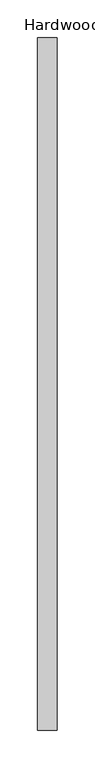
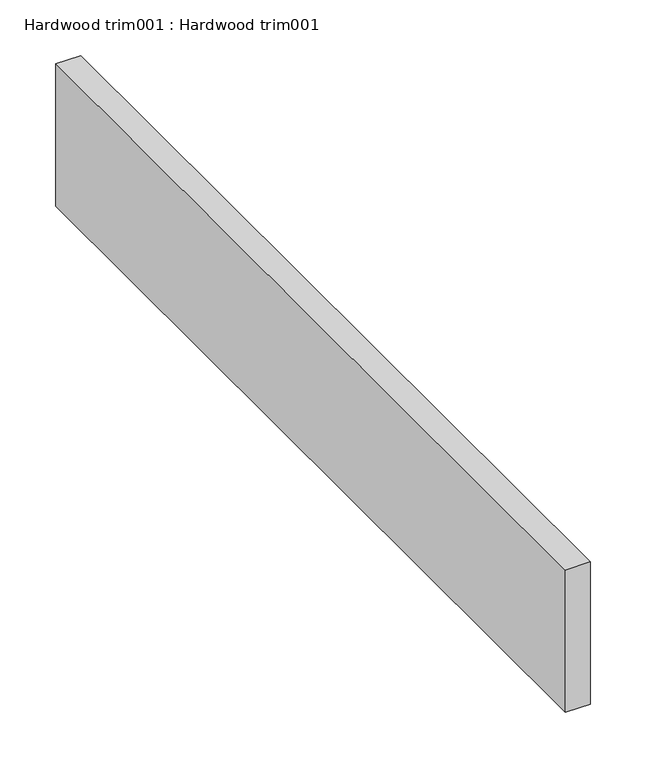
"""IFC4 building model written with IfcOpenShell, lengths in millimetres: proxy geometry, Hardwood trim001 : Hardwood trim001."""

from ifc_helpers import new_model, si_unit, frame, origin, place, context, project, spatial, polyline, outline, extrude, source, transform, mapped, element, save


def hardwood_trim001_hardwood_trim001_5c601ca2(model_context):
    return source(origin(), model_context, "Body", "SweptSolid", [
        extrude(outline(polyline([(37180.015625, -18662.4264268), (37205.8513666, -18662.4264268), (37205.8513666, -19576.8261719), (37180.015625, -19576.8261719), (37180.015625, -18662.4264268)])), frame((0.0, 0.0, 169.6078186), z_axis=(0.0, 0.0, 1.0), x_axis=(1.0, 0.0, 0.0)), (0.0, 0.0, 1.0), 155.6793424),
    ])


if __name__ == "__main__":
    model = new_model("IFC4")
    model_context = context("Model", 3, world=origin())
    ifc_project = project(units=[si_unit("LENGTHUNIT", "METRE", prefix="MILLI")], contexts=[model_context])
    site = spatial("IfcSite", under=ifc_project)
    building = spatial("IfcBuilding", under=site)
    placement = place(None, origin())
    hardwood_trim001_hardwood_trim001_shape = hardwood_trim001_hardwood_trim001_5c601ca2(model_context)
    element("IfcBuildingElementProxy", 1, Name="Hardwood trim001 : Hardwood trim001", ObjectType="Hardwood trim001 : Hardwood trim001", at=placement, inside=building, context=model_context, shape_type="MappedRepresentation", body=[
        mapped(hardwood_trim001_hardwood_trim001_shape, transform((0.0, 0.0, 0.0), x_axis=(1.0, 0.0, 0.0), y_axis=(0.0, 1.0, 0.0), z_axis=(0.0, 0.0, 1.0))),
    ])
    save(model, "model.ifc")
